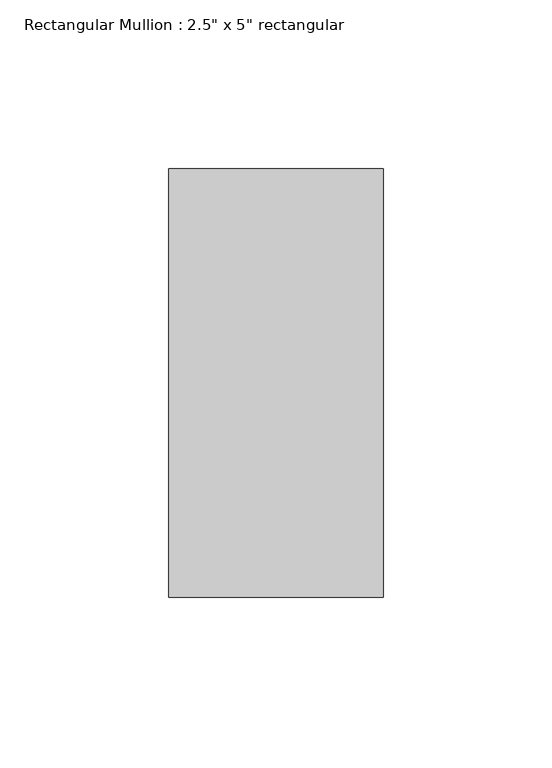
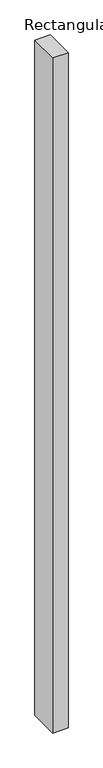
"""IFC4 building model written with IfcOpenShell, lengths in millimetres: member geometry."""

from ifc_helpers import new_model, si_unit, frame, origin, place, context, project, spatial, polyline, outline, extrude, source, transform, mapped, element, save


def member_65c831e0(model_context):
    return source(origin(), model_context, "Body", "SweptSolid", [
        extrude(outline(polyline([(0.0, 63.5), (0.0, -63.5), (-63.5, -63.5), (-63.5, 63.5), (0.0, 63.5)])), frame((0.0, 0.0, -2945.8931057), z_axis=(0.0, 0.0, 1.0), x_axis=(1.0, 0.0, 0.0)), (0.0, 0.0, 1.0), 2945.8931057),
    ])


if __name__ == "__main__":
    model = new_model("IFC4")
    model_context = context("Model", 3, world=origin())
    ifc_project = project(units=[si_unit("LENGTHUNIT", "METRE", prefix="MILLI")], contexts=[model_context])
    site = spatial("IfcSite", under=ifc_project)
    building = spatial("IfcBuilding", under=site)
    placement = place(None, origin())
    member_shape = member_65c831e0(model_context)
    element("IfcMember", 1, ObjectType="Rectangular Mullion : 2.5\" x 5\" rectangular", at=placement, inside=building, context=model_context, shape_type="MappedRepresentation", body=[
        mapped(member_shape, transform((0.0, 0.0, 0.0), x_axis=(1.0, 0.0, 0.0), y_axis=(0.0, 1.0, 0.0), z_axis=(0.0, 0.0, 1.0))),
    ])
    save(model, "model.ifc")
